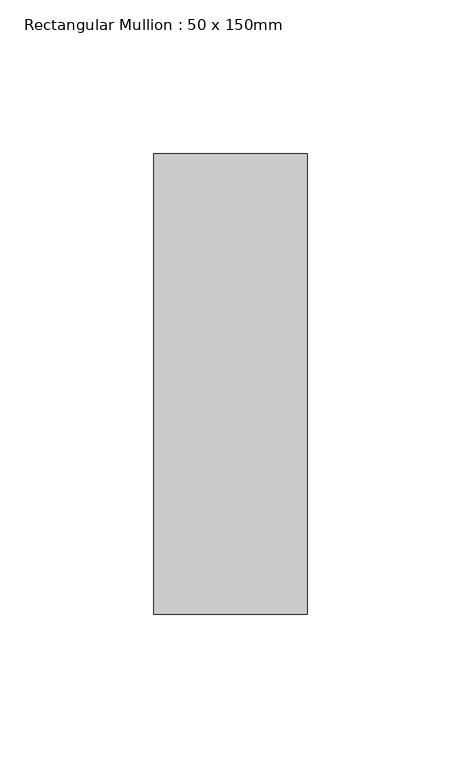
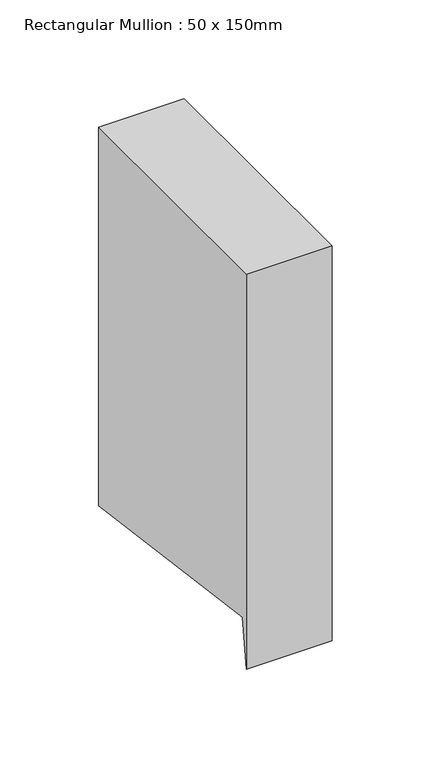
"""IFC4 building model written with IfcOpenShell, lengths in millimetres: member geometry, Rectangular Mullion : 50 x 150mm."""

from ifc_helpers import new_model, si_unit, frame, origin, place, context, project, spatial, polyline, outline, extrude, source, transform, mapped, element, save


def rectangular_mullion_50_x_150mm_71bd75b8(model_context):
    return source(origin(), model_context, "Body", "SweptSolid", [
        extrude(outline(polyline([(-75.0, 0.0), (75.0, 0.0), (75.0, -233.9438204), (-71.0328341, -214.4506495), (-75.0, -244.1706206), (-75.0, 0.0)])), frame((-25.0, 0.0, 0.0), z_axis=(1.0, 0.0, 0.0), x_axis=(0.0, 1.0, 0.0)), (0.0, 0.0, 1.0), 50.0),
    ])


if __name__ == "__main__":
    model = new_model("IFC4")
    model_context = context("Model", 3, world=origin())
    ifc_project = project(units=[si_unit("LENGTHUNIT", "METRE", prefix="MILLI")], contexts=[model_context])
    site = spatial("IfcSite", under=ifc_project)
    building = spatial("IfcBuilding", under=site)
    placement = place(None, origin())
    rectangular_mullion_50_x_150mm_shape = rectangular_mullion_50_x_150mm_71bd75b8(model_context)
    element("IfcMember", 1, ObjectType="Rectangular Mullion : 50 x 150mm", at=placement, inside=building, context=model_context, shape_type="MappedRepresentation", body=[
        mapped(rectangular_mullion_50_x_150mm_shape, transform((0.0, 0.0, 0.0), x_axis=(1.0, 0.0, 0.0), y_axis=(0.0, 1.0, 0.0), z_axis=(0.0, 0.0, 1.0))),
    ])
    save(model, "model.ifc")
